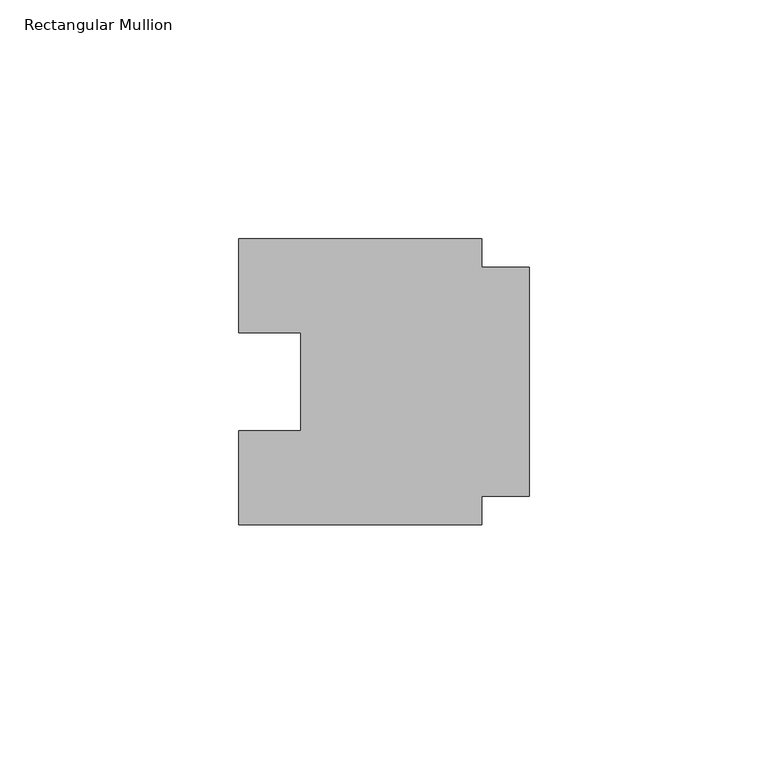
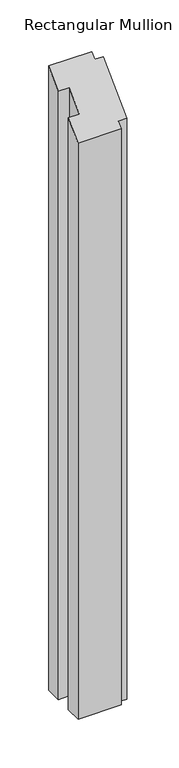
"""IFC4 building model written with IfcOpenShell, lengths in millimetres: member geometry, Rectangular Mullion."""

from ifc_helpers import new_model, si_unit, origin, place, context, project, spatial, faceted_brep, source, transform, mapped, element, save


def rectangular_mullion_be58ff7e(model_context):
    return source(origin(), model_context, "Body", "Brep", [
        faceted_brep([(-10.0, -24.0, -750.0), (-10.0, -30.0, -750.0), (-61.0, -30.0, -750.0), (-61.0, -10.25, -750.0), (-48.0, -10.25, -750.0), (-48.0, 10.25, -750.0), (-61.0, 10.25, -750.0), (-61.0, 30.0, -750.0), (-10.0, 30.0, -750.0), (-10.0, 24.0, -750.0), (0.0, 24.0, -750.0), (0.0, -24.0, -750.0), (0.0, -24.0, -24.0), (-10.0, -24.0, -24.0), (0.0, 24.0, 24.0), (-10.0, 24.0, 24.0), (-10.0, 30.0, 30.0), (-61.0, 30.0, 30.0), (-61.0, 10.25, 10.25), (-48.0, 10.25, 10.25), (-48.0, -10.25, -10.25), (-61.0, -10.25, -10.25), (-61.0, -30.0, -30.0), (-10.0, -30.0, -30.0)], [[[0, 1, 2, 3, 4, 5, 6, 7, 8, 9, 10, 11]], [[12, 13, 0, 11]], [[14, 12, 11, 10]], [[15, 14, 10, 9]], [[16, 15, 9, 8]], [[17, 16, 8, 7]], [[18, 17, 7, 6]], [[19, 18, 6, 5]], [[20, 19, 5, 4]], [[21, 20, 4, 3]], [[22, 21, 3, 2]], [[23, 22, 2, 1]], [[13, 23, 1, 0]], [[13, 12, 14, 15, 16, 17, 18, 19, 20, 21, 22, 23]]]),
    ])


if __name__ == "__main__":
    model = new_model("IFC4")
    model_context = context("Model", 3, world=origin())
    ifc_project = project(units=[si_unit("LENGTHUNIT", "METRE", prefix="MILLI")], contexts=[model_context])
    site = spatial("IfcSite", under=ifc_project)
    building = spatial("IfcBuilding", under=site)
    placement = place(None, origin())
    rectangular_mullion_shape = rectangular_mullion_be58ff7e(model_context)
    element("IfcMember", 1, ObjectType="Rectangular Mullion", at=placement, inside=building, context=model_context, shape_type="MappedRepresentation", body=[
        mapped(rectangular_mullion_shape, transform((0.0, 0.0, 0.0), x_axis=(1.0, 0.0, 0.0), y_axis=(0.0, 1.0, 0.0), z_axis=(0.0, 0.0, 1.0))),
    ])
    save(model, "model.ifc")
